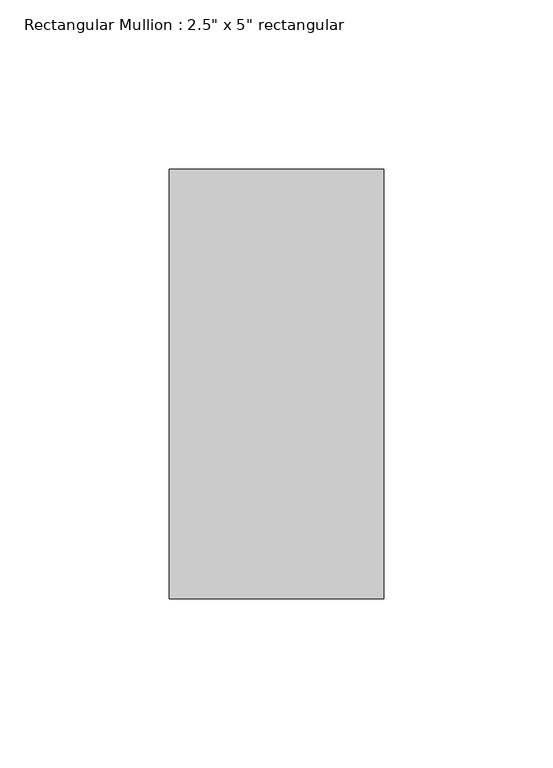
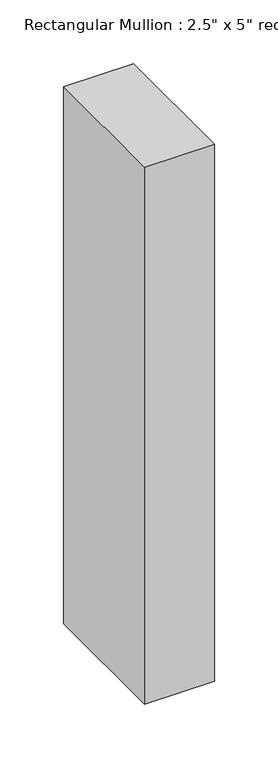
"""IFC4 building model written with IfcOpenShell, lengths in millimetres: member geometry."""

from ifc_helpers import new_model, si_unit, frame, origin, place, context, project, spatial, polyline, outline, extrude, source, transform, mapped, element, save


def member_49ee1155(model_context):
    return source(origin(), model_context, "Body", "SweptSolid", [
        extrude(outline(polyline([(31.75, 63.5), (31.75, -63.5), (-31.75, -63.5), (-31.75, 63.5), (31.75, 63.5)])), frame((0.0, 0.0, -514.3500256), z_axis=(0.0, 0.0, 1.0), x_axis=(1.0, 0.0, 0.0)), (0.0, 0.0, 1.0), 514.3500256),
    ])


if __name__ == "__main__":
    model = new_model("IFC4")
    model_context = context("Model", 3, world=origin())
    ifc_project = project(units=[si_unit("LENGTHUNIT", "METRE", prefix="MILLI")], contexts=[model_context])
    site = spatial("IfcSite", under=ifc_project)
    building = spatial("IfcBuilding", under=site)
    placement = place(None, origin())
    member_shape = member_49ee1155(model_context)
    element("IfcMember", 1, ObjectType="Rectangular Mullion : 2.5\" x 5\" rectangular", at=placement, inside=building, context=model_context, shape_type="MappedRepresentation", body=[
        mapped(member_shape, transform((0.0, 0.0, 0.0), x_axis=(1.0, 0.0, 0.0), y_axis=(0.0, 1.0, 0.0), z_axis=(0.0, 0.0, 1.0))),
    ])
    save(model, "model.ifc")
